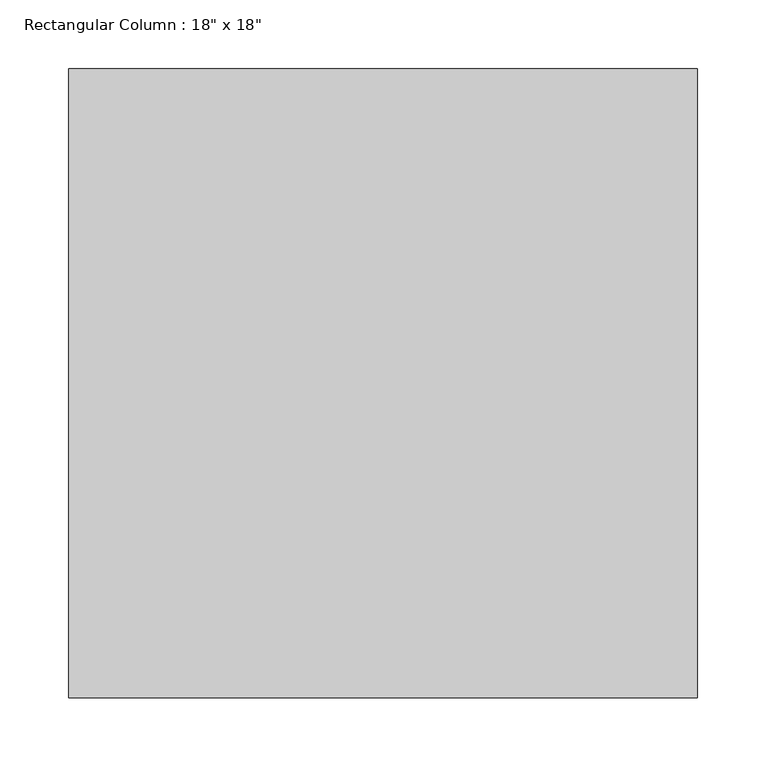
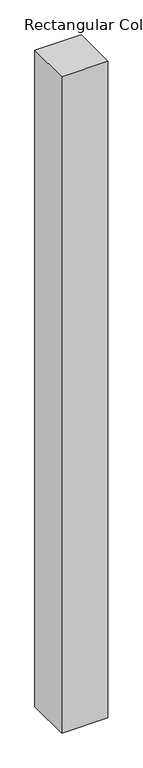
"""IFC4 building model written with IfcOpenShell, lengths in millimetres: column geometry."""

from ifc_helpers import new_model, si_unit, origin, origin_with_axes, place, context, project, spatial, polyline, outline, extrude, source, transform, mapped, element, save


def column_e0a63613(model_context):
    return source(origin(), model_context, "Body", "SweptSolid", [
        extrude(outline(polyline([(228.6, 228.6), (228.6, -228.6), (-228.6, -228.6), (-228.6, 228.6), (228.6, 228.6)])), origin_with_axes(), (0.0, 0.0, 1.0), 6858.0),
    ])


if __name__ == "__main__":
    model = new_model("IFC4")
    model_context = context("Model", 3, world=origin())
    ifc_project = project(units=[si_unit("LENGTHUNIT", "METRE", prefix="MILLI")], contexts=[model_context])
    site = spatial("IfcSite", under=ifc_project)
    building = spatial("IfcBuilding", under=site)
    placement = place(None, origin())
    column_shape = column_e0a63613(model_context)
    element("IfcColumn", 1, ObjectType="Rectangular Column : 18\" x 18\"", at=placement, inside=building, context=model_context, shape_type="MappedRepresentation", body=[
        mapped(column_shape, transform((0.0, 0.0, 0.0), x_axis=(1.0, 0.0, 0.0), y_axis=(0.0, 1.0, 0.0), z_axis=(0.0, 0.0, 1.0))),
    ])
    save(model, "model.ifc")
